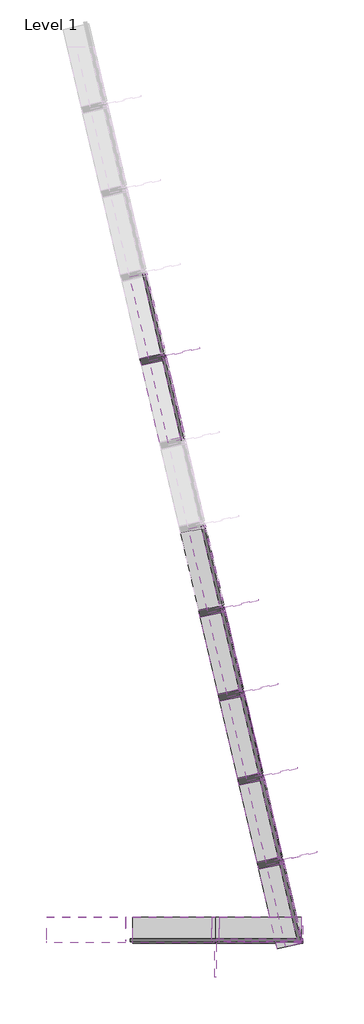
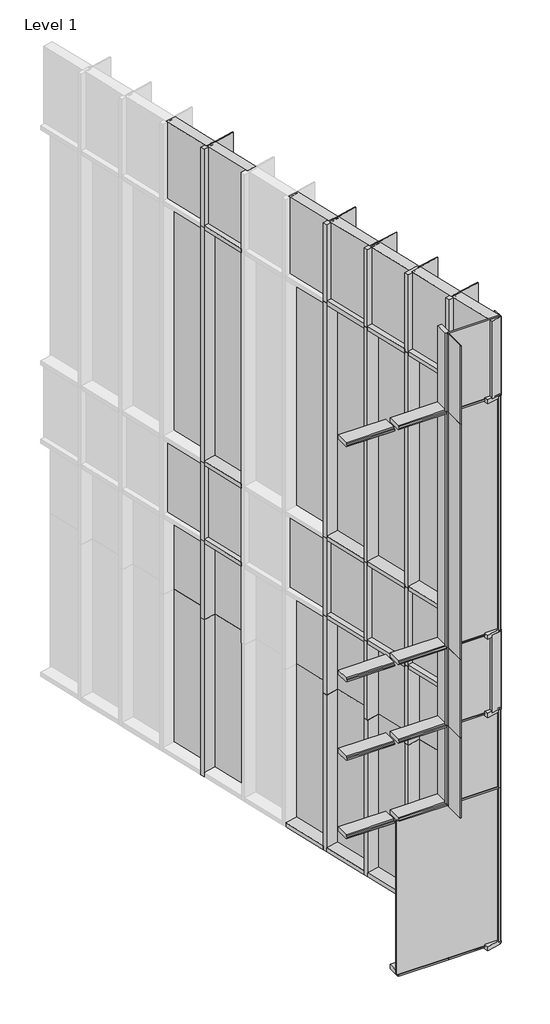
# One storey, part 11 of 15: 63 members, 44 plates.
"""IFC4 building model written with IfcOpenShell, lengths in millimetres."""

import ifcopenshell
import ifcopenshell.guid

model = None  # the IFC model being written
_history = None  # IfcOwnerHistory: only IFC2X3 demands one
_inside = {}  # id of a spatial element -> (the spatial element, [elements in it])
_under = {}  # id of a project, library or spatial element -> (it, [spatial elements below it])
_declared = {}  # id of a project -> (the project, [libraries it declares])
_typed = {}  # id of a type object -> (the type object, [elements of that type])
_made_of = {}  # id of a material, layer set ... -> (it, [elements and type objects made of it])


def new_model(schema):
    """Start an empty IFC model of exactly this schema.

    Asked for "IFC4X3", IfcOpenShell would pick the latest addendum, in which some entities
    have other attributes; the version numbers below select the first issue.
    IFC2X3 requires an IfcOwnerHistory on every rooted entity: one is made here for all.
    """
    global model, _history
    if schema == "IFC4X3":
        model = ifcopenshell.file(schema_version=(4, 3, 0, 0))
    else:
        model = ifcopenshell.file(schema=schema)
    _inside.clear()
    _under.clear()
    _declared.clear()
    _typed.clear()
    _made_of.clear()
    _history = None
    if model.schema == "IFC2X3":
        org = make("IfcOrganization", Name="unknown")
        user = make(
            "IfcPersonAndOrganization",
            ThePerson=make("IfcPerson", FamilyName="unknown"),
            TheOrganization=org,
        )
        app = make(
            "IfcApplication",
            ApplicationDeveloper=org,
            Version="unknown",
            ApplicationFullName="unknown",
            ApplicationIdentifier="unknown",
        )
        _history = make(
            "IfcOwnerHistory",
            OwningUser=user,
            OwningApplication=app,
            ChangeAction="ADDED",
            CreationDate=0,
        )
    return model


def make(cls, **values):
    """One entity of the class cls with the attributes given. An attribute that is None is left unset."""
    return model.create_entity(
        cls, **{name: value for name, value in values.items() if value is not None}
    )


def rooted(cls, **values):
    """An entity with a GlobalId (a new one), such as an element, a storey or a relation."""
    return make(cls, GlobalId=ifcopenshell.guid.new(), OwnerHistory=_history, **values)


def si_unit(unit_type, name, prefix=None):
    """IfcSIUnit, for example si_unit("LENGTHUNIT", "METRE", prefix="MILLI")."""
    return make("IfcSIUnit", UnitType=unit_type, Prefix=prefix, Name=name)


def assignment(units):
    """IfcUnitAssignment: the units of a project."""
    return None if units is None else make("IfcUnitAssignment", Units=units)


def point(xyz):
    """IfcCartesianPoint."""
    return None if xyz is None else make("IfcCartesianPoint", Coordinates=xyz)


def direction(xyz):
    """IfcDirection."""
    return None if xyz is None else make("IfcDirection", DirectionRatios=xyz)


def frame(location, z_axis=None, x_axis=None):
    """IfcAxis2Placement3D, a coordinate frame: its origin and axes. An axis left out is left unset."""
    return make(
        "IfcAxis2Placement3D",
        Location=point(location),
        Axis=direction(z_axis),
        RefDirection=direction(x_axis),
    )


def origin():
    """The frame at (0, 0, 0) with its axes left unset."""
    return frame((0.0, 0.0, 0.0))


def origin_with_axes():
    """The frame at (0, 0, 0) with the z axis (0, 0, 1) and the x axis (1, 0, 0) written out."""
    return frame((0.0, 0.0, 0.0), z_axis=(0.0, 0.0, 1.0), x_axis=(1.0, 0.0, 0.0))


def place(relative_to, where):
    """IfcLocalPlacement: puts the frame where relative to a parent placement (None: the world)."""
    return make(
        "IfcLocalPlacement", PlacementRelTo=relative_to, RelativePlacement=where
    )


def context(
    kind, dimensions, precision=None, world=None, true_north=None, identifier=None
):
    """IfcGeometricRepresentationContext, for example the 3D "Model" context."""
    return make(
        "IfcGeometricRepresentationContext",
        ContextIdentifier=identifier,
        ContextType=kind,
        CoordinateSpaceDimension=dimensions,
        Precision=precision,
        WorldCoordinateSystem=world,
        TrueNorth=true_north,
    )


def project(units=None, contexts=None):
    """IfcProject with its units and contexts."""
    return rooted(
        "IfcProject",
        Name="project",
        RepresentationContexts=contexts,
        UnitsInContext=assignment(units),
    )


def spatial(cls, under=None, at=None, **own):
    """A site, building, storey or space (cls), placed at a placement, below another one or the project."""
    s = rooted(cls, ObjectPlacement=at, **own)
    if under is not None:
        _under.setdefault(under.id(), (under, []))[1].append(s)
    return s


def polyline(points):
    """IfcPolyline through the points."""
    return make("IfcPolyline", Points=[point(p) for p in points])


def outline(outer, holes=None, kind="AREA"):
    """IfcArbitraryClosedProfileDef: a profile drawn as a closed curve; with holes, ...WithVoids."""
    if holes is None:
        return make("IfcArbitraryClosedProfileDef", ProfileType=kind, OuterCurve=outer)
    return make(
        "IfcArbitraryProfileDefWithVoids",
        ProfileType=kind,
        OuterCurve=outer,
        InnerCurves=holes,
    )


def extrude(swept, where, along, depth):
    """IfcExtrudedAreaSolid: the profile swept, set in the frame where, extruded along a direction by depth."""
    return make(
        "IfcExtrudedAreaSolid",
        SweptArea=swept,
        Position=where,
        ExtrudedDirection=direction(along),
        Depth=depth,
    )


def shape(context_of_items, identifier, shape_type, items):
    """IfcShapeRepresentation: the items that make up one representation, for example the "Body"."""
    return make(
        "IfcShapeRepresentation",
        ContextOfItems=context_of_items,
        RepresentationIdentifier=identifier,
        RepresentationType=shape_type,
        Items=items,
    )


def source(mapping_origin, context_of_items, identifier, shape_type, items):
    """IfcRepresentationMap: a shape defined once, which mapped items show again and again."""
    return make(
        "IfcRepresentationMap",
        MappingOrigin=mapping_origin,
        MappedRepresentation=shape(context_of_items, identifier, shape_type, items),
    )


def transform(
    local_origin,
    x_axis=None,
    y_axis=None,
    z_axis=None,
    scale=None,
    scale2=None,
    scale3=None,
    uniform=True,
):
    """IfcCartesianTransformationOperator3D, or its non-uniform kind. x_axis, y_axis, z_axis: its Axis1, 2, 3."""
    if uniform:
        return make(
            "IfcCartesianTransformationOperator3D",
            Axis1=direction(x_axis),
            Axis2=direction(y_axis),
            LocalOrigin=point(local_origin),
            Scale=scale,
            Axis3=direction(z_axis),
        )
    return make(
        "IfcCartesianTransformationOperator3DnonUniform",
        Axis1=direction(x_axis),
        Axis2=direction(y_axis),
        LocalOrigin=point(local_origin),
        Scale=scale,
        Axis3=direction(z_axis),
        Scale2=scale2,
        Scale3=scale3,
    )


def mapped(mapping_source, mapping_target):
    """IfcMappedItem: shows the shape of a source again, moved by a transform."""
    return make(
        "IfcMappedItem", MappingSource=mapping_source, MappingTarget=mapping_target
    )


def made_of(thing, what):
    """Note that an element or type object is made of a material, layer set ...; save() writes the relation."""
    if what is not None:
        _made_of.setdefault(what.id(), (what, []))[1].append(thing)
    return thing


def element(
    cls,
    number,
    at=None,
    inside=None,
    cuts=None,
    type_object=None,
    material=None,
    context=None,
    identifier="Body",
    shape_type=None,
    held_by="IfcProductDefinitionShape",
    body=None,
    shapes=None,
    **own,
):
    """One element of the class cls, such as IfcWall. Its Tag is "e" and its number.

    at: its placement. inside: the storey or other place that contains it. cuts: it is an
    opening in that element (IfcRelVoidsElement). A single representation is given by context,
    identifier, shape_type and body (its items); several are given by shapes. held_by: the class
    of the entity that holds the representations. save() writes the other relations.
    """
    e = rooted(cls, Tag="e%d" % number, ObjectPlacement=at, **own)
    if body is not None:
        shapes = [shape(context, identifier, shape_type, body)]
    if shapes is not None:
        e.Representation = make(held_by, Representations=shapes)
    if inside is not None:
        _inside.setdefault(inside.id(), (inside, []))[1].append(e)
    if cuts is not None:
        rooted(
            "IfcRelVoidsElement", RelatingBuildingElement=cuts, RelatedOpeningElement=e
        )
    if type_object is not None:
        _typed.setdefault(type_object.id(), (type_object, []))[1].append(e)
    return made_of(e, material)


def aggregate(whole, parts):
    """IfcRelAggregates: a whole, such as a stair, and the parts it consists of."""
    return rooted("IfcRelAggregates", RelatingObject=whole, RelatedObjects=parts)


def save(model, path):
    """Write the relations noted so far, then the file.

    IfcRelAggregates (storeys below a building ...), IfcRelContainedInSpatialStructure (elements
    in a storey), IfcRelDefinesByType, IfcRelAssociatesMaterial and IfcRelDeclares: one each for
    every whole, place, type object, material and project.
    """
    for whole, parts in _under.values():
        aggregate(whole, parts)
    for where, things in _inside.values():
        rooted(
            "IfcRelContainedInSpatialStructure",
            RelatedElements=things,
            RelatingStructure=where,
        )
    for kind, things in _typed.values():
        rooted("IfcRelDefinesByType", RelatedObjects=things, RelatingType=kind)
    for what, things in _made_of.values():
        rooted("IfcRelAssociatesMaterial", RelatedObjects=things, RelatingMaterial=what)
    for by, libraries in _declared.values():
        rooted("IfcRelDeclares", RelatingContext=by, RelatedDefinitions=libraries)
    model.write(path)


def rectangular_mullion_2ba164b7(model_context):
    return source(origin(), model_context, "Body", "SweptSolid", [
        extrude(outline(polyline([(31.75, -228.6), (-31.75, -228.6), (-31.75, -26.9875), (-9.525, -26.9875), (-9.525, 0.0), (9.525, 0.0), (9.525, -26.9875), (31.75, -26.9875), (31.75, -228.6)])), frame((0.0, 0.0, -2438.4), z_axis=(0.0, 0.0, 1.0), x_axis=(1.0, 0.0, 0.0)), (0.0, 0.0, 1.0), 2438.4),
    ])


def rectangular_mullion_658b0388(model_context):
    return source(origin(), model_context, "Body", "SweptSolid", [
        extrude(outline(polyline([(33.2101153, -228.6), (-30.2898847, -228.6), (-30.2898847, -26.9875), (-8.0648847, -26.9875), (-8.0648847, 0.0), (-4.8898847, 0.0), (-4.8898847, 304.8), (7.8101153, 304.8), (7.8101153, 0.0), (10.9851153, 0.0), (10.9851153, -26.9875), (33.2101153, -26.9875), (33.2101153, -228.6)])), frame((0.0, 0.0, -3657.6), z_axis=(0.0, 0.0, 1.0), x_axis=(1.0, 0.0, 0.0)), (0.0, 0.0, 1.0), 3657.6),
    ])


def rectangular_mullion_40a1b22a(model_context):
    return source(origin(), model_context, "Body", "SweptSolid", [
        extrude(outline(polyline([(33.2101153, -228.6), (-30.2898847, -228.6), (-30.2898847, -26.9875), (-8.0648847, -26.9875), (-8.0648847, 0.0), (-4.8898847, 0.0), (-4.8898847, 304.8), (7.8101153, 304.8), (7.8101153, 0.0), (10.9851153, 0.0), (10.9851153, -26.9875), (33.2101153, -26.9875), (33.2101153, -228.6)])), frame((0.0, 0.0, -1219.2), z_axis=(0.0, 0.0, 1.0), x_axis=(1.0, 0.0, 0.0)), (0.0, 0.0, 1.0), 1219.2),
    ])


def rectangular_mullion_a5d22d6a(model_context):
    return source(origin(), model_context, "Body", "SweptSolid", [
        extrude(outline(polyline([(31.75, -228.6), (-31.75, -228.6), (-31.75, -26.9875), (-9.525, -26.9875), (-9.525, 0.0), (9.525, 0.0), (9.525, -26.9875), (31.75, -26.9875), (31.75, -228.6)])), frame((0.0, 0.0, -722.1851162), z_axis=(0.0, 0.0, 1.0), x_axis=(1.0, 0.0, 0.0)), (0.0, 0.0, 1.0), 722.1851162),
    ])


def rectangular_mullion_8a8c6ea4(model_context):
    return source(origin(), model_context, "Body", "SweptSolid", [
        extrude(outline(polyline([(31.75, -228.6), (-31.75, -228.6), (-31.75, -26.9875), (-9.525, -26.9875), (-9.525, 0.0), (9.525, 0.0), (9.525, -26.9875), (31.75, -26.9875), (31.75, -228.6)])), frame((0.0, 0.0, -698.5), z_axis=(0.0, 0.0, 1.0), x_axis=(1.0, 0.0, 0.0)), (0.0, 0.0, 1.0), 698.5),
    ])


def rectangular_mullion_fc0bfdc1(model_context):
    return source(origin(), model_context, "Body", "SweptSolid", [
        extrude(outline(polyline([(-63.5, -228.6), (-63.5, -26.9875), (-41.275, -26.9875), (-41.275, 0.0), (-22.225, 0.0), (-22.225, -26.9875), (0.0, -26.9875), (0.0, -228.6), (-63.5, -228.6)])), frame((0.0, 0.0, -698.5), z_axis=(0.0, 0.0, 1.0), x_axis=(1.0, 0.0, 0.0)), (0.0, 0.0, 1.0), 698.5),
    ])


def rectangular_mullion_7ddaa0c3(model_context):
    return source(origin(), model_context, "Body", "SweptSolid", [
        extrude(outline(polyline([(-63.5, -228.6), (-63.5, -26.9875), (-41.275, -26.9875), (-41.275, 0.0), (-22.225, 0.0), (-22.225, -26.9875), (0.0, -26.9875), (0.0, -228.6), (-63.5, -228.6)])), frame((0.0, 0.0, -720.7250009), z_axis=(0.0, 0.0, 1.0), x_axis=(1.0, 0.0, 0.0)), (0.0, 0.0, 1.0), 720.7250009),
    ])


def rectangular_mullion_79c372c8(model_context):
    return source(origin(), model_context, "Body", "SweptSolid", [
        extrude(outline(polyline([(33.2101153, -228.6), (-30.2898847, -228.6), (-30.2898847, -26.9875), (-8.0648847, -26.9875), (-8.0648847, 0.0), (-4.8898847, 0.0), (-4.8898847, 304.8), (7.8101153, 304.8), (7.8101153, 0.0), (10.9851153, 0.0), (10.9851153, -26.9875), (33.2101153, -26.9875), (33.2101153, -228.6)])), frame((0.0, 0.0, -1250.95), z_axis=(0.0, 0.0, 1.0), x_axis=(1.0, 0.0, 0.0)), (0.0, 0.0, 1.0), 1250.95),
    ])


def rectangular_mullion_63ff321b(model_context):
    return source(origin(), model_context, "Body", "SweptSolid", [
        extrude(outline(polyline([(31.75, -228.6), (-31.75, -228.6), (-31.75, -26.9875), (-9.525, -26.9875), (-9.525, 0.0), (9.525, 0.0), (9.525, -26.9875), (31.75, -26.9875), (31.75, -228.6)])), frame((0.0, 0.0, -728.7898847), z_axis=(0.0, 0.0, 1.0), x_axis=(1.0, 0.0, 0.0)), (0.0, 0.0, 1.0), 728.7898847),
    ])


def rectangular_mullion_a8ff40d3(model_context):
    return source(origin(), model_context, "Body", "SweptSolid", [
        extrude(outline(polyline([(31.75, -228.6), (-31.75, -228.6), (-31.75, -26.9875), (-9.525, -26.9875), (-9.525, 0.0), (9.525, 0.0), (9.525, -26.9875), (31.75, -26.9875), (31.75, -228.6)])), frame((0.0, 0.0, -697.0398847), z_axis=(0.0, 0.0, 1.0), x_axis=(1.0, 0.0, 0.0)), (0.0, 0.0, 1.0), 697.0398847),
    ])


def rectangular_mullion_655f1c1d(model_context):
    return source(origin(), model_context, "Body", "SweptSolid", [
        extrude(outline(polyline([(-63.5, -228.6), (-63.5, -26.9875), (-41.275, -26.9875), (-41.275, 0.0), (-22.225, 0.0), (-22.225, -26.9875), (0.0, -26.9875), (0.0, -228.6), (-63.5, -228.6)])), frame((0.0, 0.0, -762.0), z_axis=(0.0, 0.0, 1.0), x_axis=(1.0, 0.0, 0.0)), (0.0, 0.0, 1.0), 762.0),
    ])


def rectangular_mullion_34b15848(model_context):
    return source(origin(), model_context, "Body", "SweptSolid", [
        extrude(outline(polyline([(-63.5, -228.6), (-63.5, -26.9875), (-41.275, -26.9875), (-41.275, 0.0), (-22.225, 0.0), (-22.225, -26.9875), (0.0, -26.9875), (0.0, -228.6), (-63.5, -228.6)])), frame((0.0, 0.0, -730.25), z_axis=(0.0, 0.0, 1.0), x_axis=(1.0, 0.0, 0.0)), (0.0, 0.0, 1.0), 730.25),
    ])


def plate_f5590fc9(model_context):
    return source(origin(), model_context, "Body", "SweptSolid", [
        extrude(outline(polyline([(371.4750004, 12.7), (-371.4750004, 12.7), (-371.4750004, 38.1), (371.4750004, 38.1), (371.4750004, 12.7)])), origin_with_axes(), (0.0, 0.0, 1.0), 2397.125),
    ])


def plate_df1a668c(model_context):
    return source(origin(), model_context, "Body", "SweptSolid", [
        extrude(outline(polyline([(0.0, -757.2375), (0.0, -4.7625), (0.0, 757.2375), (2387.6, 757.2375), (2387.6, -4.7625), (2387.6, -757.2375), (0.0, -757.2375)])), frame((0.0, 12.7, 0.0), z_axis=(0.0, 1.0, 0.0), x_axis=(0.0, 0.0, 1.0)), (0.0, 0.0, 1.0), 25.4),
    ])


def plate_ad487d62(model_context):
    return source(origin(), model_context, "Body", "SweptSolid", [
        extrude(outline(polyline([(0.0, -4.7625), (0.0, 4.7625), (2438.4, 4.7625), (3657.6, 4.7625), (3657.6, -4.7625), (2438.4, -4.7625), (0.0, -4.7625)])), frame((0.0, 12.7, 0.0), z_axis=(0.0, 1.0, 0.0), x_axis=(0.0, 0.0, 1.0)), (0.0, 0.0, 1.0), 25.4),
    ])


def plate_482c9e5e(model_context):
    return source(origin(), model_context, "Body", "SweptSolid", [
        extrude(outline(polyline([(372.2050581, 12.7), (-372.2050581, 12.7), (-372.2050581, 38.1), (372.2050581, 38.1), (372.2050581, 12.7)])), origin_with_axes(), (0.0, 0.0, 1.0), 3638.55),
    ])


def plate_a50c4586(model_context):
    return source(origin(), model_context, "Body", "SweptSolid", [
        extrude(outline(polyline([(371.475, 12.7), (-371.475, 12.7), (-371.475, 38.1), (371.475, 38.1), (371.475, 12.7)])), origin_with_axes(), (0.0, 0.0, 1.0), 3638.55),
    ])


def plate_42350b1f(model_context):
    return source(origin(), model_context, "Body", "SweptSolid", [
        extrude(outline(polyline([(375.5074423, 12.7), (-375.5074423, 12.7), (-375.5074423, 38.1), (375.5074423, 38.1), (375.5074423, 12.7)])), origin_with_axes(), (0.0, 0.0, 1.0), 3638.55),
    ])


def plate_7edb1786(model_context):
    return source(origin(), model_context, "Body", "SweptSolid", [
        extrude(outline(polyline([(4.7625, 12.7), (-4.7625, 12.7), (-4.7625, 38.1), (4.7625, 38.1), (4.7625, 12.7)])), origin_with_axes(), (0.0, 0.0, 1.0), 3657.6),
    ])


def plate_2e70d9cc(model_context):
    return source(origin(), model_context, "Body", "SweptSolid", [
        extrude(outline(polyline([(372.2050581, 12.7), (-372.2050581, 12.7), (-372.2050581, 38.1), (372.2050581, 38.1), (372.2050581, 12.7)])), origin_with_axes(), (0.0, 0.0, 1.0), 1209.675),
    ])


def plate_700f5415(model_context):
    return source(origin(), model_context, "Body", "SweptSolid", [
        extrude(outline(polyline([(371.475, 12.7), (-371.475, 12.7), (-371.475, 38.1), (371.475, 38.1), (371.475, 12.7)])), origin_with_axes(), (0.0, 0.0, 1.0), 1209.675),
    ])


def plate_760c4e42(model_context):
    return source(origin(), model_context, "Body", "SweptSolid", [
        extrude(outline(polyline([(375.5074423, 12.7), (-375.5074423, 12.7), (-375.5074423, 38.1), (375.5074423, 38.1), (375.5074423, 12.7)])), origin_with_axes(), (0.0, 0.0, 1.0), 1200.15),
    ])


def plate_d3d3ff75(model_context):
    return source(origin(), model_context, "Body", "SweptSolid", [
        extrude(outline(polyline([(372.2050577, 0.0), (-372.2050577, 0.0), (-372.2050577, 152.4), (372.2050577, 152.4), (372.2050577, 0.0)])), origin_with_axes(), (0.0, 0.0, 1.0), 1200.15),
    ])


def plate_d4540562(model_context):
    return source(origin(), model_context, "Body", "SweptSolid", [
        extrude(outline(polyline([(371.475, 0.0), (-371.475, 0.0), (-371.475, 152.4), (371.475, 152.4), (371.475, 0.0)])), origin_with_axes(), (0.0, 0.0, 1.0), 1200.15),
    ])


def plate_e0267def(model_context):
    return source(origin(), model_context, "Body", "SweptSolid", [
        extrude(outline(polyline([(4.7625, 0.0), (-4.7625, 0.0), (-4.7625, 152.4), (4.7625, 152.4), (4.7625, 0.0)])), origin_with_axes(), (0.0, 0.0, 1.0), 1219.2),
    ])


def plate_33d166f4(model_context):
    return source(origin(), model_context, "Body", "SweptSolid", [
        extrude(outline(polyline([(372.2050577, 0.0), (-372.2050577, 0.0), (-372.2050577, 152.4), (372.2050577, 152.4), (372.2050577, 0.0)])), origin_with_axes(), (0.0, 0.0, 1.0), 1209.675),
    ])


def plate_23171f9a(model_context):
    return source(origin(), model_context, "Body", "SweptSolid", [
        extrude(outline(polyline([(371.475, 0.0), (-371.475, 0.0), (-371.475, 152.4), (371.475, 152.4), (371.475, 0.0)])), origin_with_axes(), (0.0, 0.0, 1.0), 1209.675),
    ])


def plate_6786e743(model_context):
    return source(origin(), model_context, "Body", "SweptSolid", [
        extrude(outline(polyline([(375.5074423, 12.7), (-375.5074423, 12.7), (-375.5074423, 38.1), (375.5074423, 38.1), (375.5074423, 12.7)])), origin_with_axes(), (0.0, 0.0, 1.0), 1209.675),
    ])


model = new_model("IFC4")

# Units and contexts
model_context = context("Model", 3, world=origin())
ifc_project = project(units=[si_unit("LENGTHUNIT", "METRE", prefix="MILLI")], contexts=[model_context])

# Site, building, storey
site = spatial("IfcSite", under=ifc_project)
building = spatial("IfcBuilding", under=site)
storey = spatial("IfcBuildingStorey", under=building, Name="Level 1", Elevation=0.0)

# Members
placement = place(None, origin())
rectangular_mullion_shape = rectangular_mullion_2ba164b7(model_context)
element("IfcMember", 1, ObjectType="Rectangular Mullion", at=placement, inside=storey, context=model_context, shape_type="MappedRepresentation", body=[
    mapped(rectangular_mullion_shape, transform((252877.0430604, 89080.3921196, 0.0), x_axis=(-0.22666185642740264, 0.9739735123918327, 0.0), y_axis=(0.9739735123918327, 0.22666185642740264, 0.0), z_axis=(0.0, 0.0, -1.0))),
])
element("IfcMember", 2, ObjectType="Rectangular Mullion", at=placement, inside=storey, context=model_context, shape_type="MappedRepresentation", body=[
    mapped(rectangular_mullion_shape, transform((252704.3267258, 89822.559936, 0.0), x_axis=(-0.22666185642740264, 0.9739735123918327, 0.0), y_axis=(0.9739735123918327, 0.22666185642740264, 0.0), z_axis=(0.0, 0.0, -1.0))),
])
element("IfcMember", 3, ObjectType="Rectangular Mullion", at=placement, inside=storey, context=model_context, shape_type="MappedRepresentation", body=[
    mapped(rectangular_mullion_shape, transform((252531.6103912, 90564.7277525, 0.0), x_axis=(-0.22666185642740264, 0.9739735123918327, 0.0), y_axis=(0.9739735123918327, 0.22666185642740264, 0.0), z_axis=(0.0, 0.0, -1.0))),
])
element("IfcMember", 4, ObjectType="Rectangular Mullion", at=placement, inside=storey, context=model_context, shape_type="MappedRepresentation", body=[
    mapped(rectangular_mullion_shape, transform((252358.8940566, 91306.8955689, 0.0), x_axis=(-0.22666185642740264, 0.9739735123918327, 0.0), y_axis=(0.9739735123918327, 0.22666185642740264, 0.0), z_axis=(0.0, 0.0, -1.0))),
])
element("IfcMember", 5, ObjectType="Rectangular Mullion", at=placement, inside=storey, context=model_context, shape_type="MappedRepresentation", body=[
    mapped(rectangular_mullion_shape, transform((251840.7450528, 93533.3990182, 0.0), x_axis=(-0.22666185642740264, 0.9739735123918327, 0.0), y_axis=(0.9739735123918327, 0.22666185642740264, 0.0), z_axis=(0.0, 0.0, -1.0))),
])
rectangular_mullion_2_shape = rectangular_mullion_658b0388(model_context)
element("IfcMember", 6, ObjectType="Rectangular Mullion", at=placement, inside=storey, context=model_context, shape_type="MappedRepresentation", body=[
    mapped(rectangular_mullion_2_shape, transform((252877.0430604, 89080.3921196, 4876.8), x_axis=(-0.22666185642740264, 0.9739735123918327, 0.0), y_axis=(0.9739735123918327, 0.22666185642740264, 0.0), z_axis=(0.0, 0.0, -1.0))),
])
element("IfcMember", 7, ObjectType="Rectangular Mullion", at=placement, inside=storey, context=model_context, shape_type="MappedRepresentation", body=[
    mapped(rectangular_mullion_2_shape, transform((252704.3267258, 89822.559936, 4876.8), x_axis=(-0.22666185642740264, 0.9739735123918327, 0.0), y_axis=(0.9739735123918327, 0.22666185642740264, 0.0), z_axis=(0.0, 0.0, -1.0))),
])
element("IfcMember", 8, ObjectType="Rectangular Mullion", at=placement, inside=storey, context=model_context, shape_type="MappedRepresentation", body=[
    mapped(rectangular_mullion_2_shape, transform((252531.6103912, 90564.7277525, 4876.8), x_axis=(-0.22666185642740264, 0.9739735123918327, 0.0), y_axis=(0.9739735123918327, 0.22666185642740264, 0.0), z_axis=(0.0, 0.0, -1.0))),
])
element("IfcMember", 9, ObjectType="Rectangular Mullion", at=placement, inside=storey, context=model_context, shape_type="MappedRepresentation", body=[
    mapped(rectangular_mullion_2_shape, transform((252358.8940566, 91306.8955689, 4876.8), x_axis=(-0.22666185642740264, 0.9739735123918327, 0.0), y_axis=(0.9739735123918327, 0.22666185642740264, 0.0), z_axis=(0.0, 0.0, -1.0))),
])
element("IfcMember", 10, ObjectType="Rectangular Mullion", at=placement, inside=storey, context=model_context, shape_type="MappedRepresentation", body=[
    mapped(rectangular_mullion_2_shape, transform((251840.7450528, 93533.3990182, 4876.8), x_axis=(-0.22666185642740264, 0.9739735123918327, 0.0), y_axis=(0.9739735123918327, 0.22666185642740264, 0.0), z_axis=(0.0, 0.0, -1.0))),
])
element("IfcMember", 11, ObjectType="Rectangular Mullion", at=placement, inside=storey, context=model_context, shape_type="MappedRepresentation", body=[
    mapped(rectangular_mullion_2_shape, transform((252275.8928019, 88347.5014, 4876.8), x_axis=(1.0, 0.0, 0.0), y_axis=(0.0, -1.0, 0.0), z_axis=(0.0, 0.0, -1.0))),
])
rectangular_mullion_3_shape = rectangular_mullion_40a1b22a(model_context)
element("IfcMember", 12, ObjectType="Rectangular Mullion", at=placement, inside=storey, context=model_context, shape_type="MappedRepresentation", body=[
    mapped(rectangular_mullion_3_shape, transform((252275.8928019, 88347.5014, 3657.6), x_axis=(1.0, 0.0, 0.0), y_axis=(0.0, -1.0, 0.0), z_axis=(0.0, 0.0, -1.0))),
])
element("IfcMember", 13, ObjectType="Rectangular Mullion", at=placement, inside=storey, context=model_context, shape_type="MappedRepresentation", body=[
    mapped(rectangular_mullion_3_shape, transform((252877.0430604, 89080.3921196, 3657.6), x_axis=(-0.22666185642740264, 0.9739735123918327, 0.0), y_axis=(0.9739735123918327, 0.22666185642740264, 0.0), z_axis=(0.0, 0.0, -1.0))),
])
element("IfcMember", 14, ObjectType="Rectangular Mullion", at=placement, inside=storey, context=model_context, shape_type="MappedRepresentation", body=[
    mapped(rectangular_mullion_3_shape, transform((252704.3267258, 89822.559936, 3657.6), x_axis=(-0.22666185642740264, 0.9739735123918327, 0.0), y_axis=(0.9739735123918327, 0.22666185642740264, 0.0), z_axis=(0.0, 0.0, -1.0))),
])
element("IfcMember", 15, ObjectType="Rectangular Mullion", at=placement, inside=storey, context=model_context, shape_type="MappedRepresentation", body=[
    mapped(rectangular_mullion_3_shape, transform((252531.6103912, 90564.7277525, 3657.6), x_axis=(-0.22666185642740264, 0.9739735123918327, 0.0), y_axis=(0.9739735123918327, 0.22666185642740264, 0.0), z_axis=(0.0, 0.0, -1.0))),
])
element("IfcMember", 16, ObjectType="Rectangular Mullion", at=placement, inside=storey, context=model_context, shape_type="MappedRepresentation", body=[
    mapped(rectangular_mullion_3_shape, transform((252358.8940566, 91306.8955689, 3657.6), x_axis=(-0.22666185642740264, 0.9739735123918327, 0.0), y_axis=(0.9739735123918327, 0.22666185642740264, 0.0), z_axis=(0.0, 0.0, -1.0))),
])
element("IfcMember", 17, ObjectType="Rectangular Mullion", at=placement, inside=storey, context=model_context, shape_type="MappedRepresentation", body=[
    mapped(rectangular_mullion_3_shape, transform((251840.7450528, 93533.3990182, 3657.6), x_axis=(-0.22666185642740264, 0.9739735123918327, 0.0), y_axis=(0.9739735123918327, 0.22666185642740264, 0.0), z_axis=(0.0, 0.0, -1.0))),
])
element("IfcMember", 18, ObjectType="Rectangular Mullion", at=placement, inside=storey, context=model_context, shape_type="MappedRepresentation", body=[
    mapped(rectangular_mullion_3_shape, transform((252275.8928019, 88347.5014, 8534.4), x_axis=(1.0, 0.0, 0.0), y_axis=(0.0, -1.0, 0.0), z_axis=(0.0, 0.0, -1.0))),
])
element("IfcMember", 19, ObjectType="Rectangular Mullion", at=placement, inside=storey, context=model_context, shape_type="MappedRepresentation", body=[
    mapped(rectangular_mullion_3_shape, transform((252877.0430604, 89080.3921196, 8534.4), x_axis=(-0.22666185642740264, 0.9739735123918327, 0.0), y_axis=(0.9739735123918327, 0.22666185642740264, 0.0), z_axis=(0.0, 0.0, -1.0))),
])
element("IfcMember", 20, ObjectType="Rectangular Mullion", at=placement, inside=storey, context=model_context, shape_type="MappedRepresentation", body=[
    mapped(rectangular_mullion_3_shape, transform((252704.3267258, 89822.559936, 8534.4), x_axis=(-0.22666185642740264, 0.9739735123918327, 0.0), y_axis=(0.9739735123918327, 0.22666185642740264, 0.0), z_axis=(0.0, 0.0, -1.0))),
])
element("IfcMember", 21, ObjectType="Rectangular Mullion", at=placement, inside=storey, context=model_context, shape_type="MappedRepresentation", body=[
    mapped(rectangular_mullion_3_shape, transform((252531.6103912, 90564.7277525, 8534.4), x_axis=(-0.22666185642740264, 0.9739735123918327, 0.0), y_axis=(0.9739735123918327, 0.22666185642740264, 0.0), z_axis=(0.0, 0.0, -1.0))),
])
element("IfcMember", 22, ObjectType="Rectangular Mullion", at=placement, inside=storey, context=model_context, shape_type="MappedRepresentation", body=[
    mapped(rectangular_mullion_3_shape, transform((252358.8940566, 91306.8955689, 8534.4), x_axis=(-0.22666185642740264, 0.9739735123918327, 0.0), y_axis=(0.9739735123918327, 0.22666185642740264, 0.0), z_axis=(0.0, 0.0, -1.0))),
])
element("IfcMember", 23, ObjectType="Rectangular Mullion", at=placement, inside=storey, context=model_context, shape_type="MappedRepresentation", body=[
    mapped(rectangular_mullion_3_shape, transform((251840.7450528, 93533.3990182, 8534.4), x_axis=(-0.22666185642740264, 0.9739735123918327, 0.0), y_axis=(0.9739735123918327, 0.22666185642740264, 0.0), z_axis=(0.0, 0.0, -1.0))),
])
element("IfcMember", 24, ObjectType="Rectangular Mullion", at=placement, inside=storey, context=model_context, shape_type="MappedRepresentation", body=[
    mapped(rectangular_mullion_3_shape, transform((252877.0430604, 89080.3921196, 2438.4), x_axis=(-0.22666185642740264, 0.9739735123918327, 0.0), y_axis=(0.9739735123918327, 0.22666185642740264, 0.0), z_axis=(0.0, 0.0, -1.0))),
])
element("IfcMember", 25, ObjectType="Rectangular Mullion", at=placement, inside=storey, context=model_context, shape_type="MappedRepresentation", body=[
    mapped(rectangular_mullion_3_shape, transform((252704.3267258, 89822.559936, 2438.4), x_axis=(-0.22666185642740264, 0.9739735123918327, 0.0), y_axis=(0.9739735123918327, 0.22666185642740264, 0.0), z_axis=(0.0, 0.0, -1.0))),
])
element("IfcMember", 26, ObjectType="Rectangular Mullion", at=placement, inside=storey, context=model_context, shape_type="MappedRepresentation", body=[
    mapped(rectangular_mullion_3_shape, transform((252531.6103912, 90564.7277525, 2438.4), x_axis=(-0.22666185642740264, 0.9739735123918327, 0.0), y_axis=(0.9739735123918327, 0.22666185642740264, 0.0), z_axis=(0.0, 0.0, -1.0))),
])
element("IfcMember", 27, ObjectType="Rectangular Mullion", at=placement, inside=storey, context=model_context, shape_type="MappedRepresentation", body=[
    mapped(rectangular_mullion_3_shape, transform((252358.8940566, 91306.8955689, 2438.4), x_axis=(-0.22666185642740264, 0.9739735123918327, 0.0), y_axis=(0.9739735123918327, 0.22666185642740264, 0.0), z_axis=(0.0, 0.0, -1.0))),
])
element("IfcMember", 28, ObjectType="Rectangular Mullion", at=placement, inside=storey, context=model_context, shape_type="MappedRepresentation", body=[
    mapped(rectangular_mullion_3_shape, transform((251840.7450528, 93533.3990182, 2438.4), x_axis=(-0.22666185642740264, 0.9739735123918327, 0.0), y_axis=(0.9739735123918327, 0.22666185642740264, 0.0), z_axis=(0.0, 0.0, -1.0))),
])
rectangular_mullion_4_shape = rectangular_mullion_a5d22d6a(model_context)
element("IfcMember", 29, ObjectType="Rectangular Mullion", at=placement, inside=storey, context=model_context, shape_type="MappedRepresentation", body=[
    mapped(rectangular_mullion_4_shape, transform((252883.9086219, 89050.8905742, 4876.8), x_axis=(0.0, 0.0, 1.0), y_axis=(0.9739735123918308, 0.22666185642741093, 0.0), z_axis=(-0.2266618564274109, 0.9739735123918307, 0.0))),
])
element("IfcMember", 30, ObjectType="Rectangular Mullion", at=placement, inside=storey, context=model_context, shape_type="MappedRepresentation", body=[
    mapped(rectangular_mullion_4_shape, transform((252883.9086219, 89050.8905742, 3657.6), x_axis=(0.0, 0.0, 1.0), y_axis=(0.9739735123918308, 0.22666185642741093, 0.0), z_axis=(-0.2266618564274109, 0.9739735123918307, 0.0))),
])
element("IfcMember", 31, ObjectType="Rectangular Mullion", at=placement, inside=storey, context=model_context, shape_type="MappedRepresentation", body=[
    mapped(rectangular_mullion_4_shape, transform((252883.9086219, 89050.8905742, 8534.4), x_axis=(0.0, 0.0, 1.0), y_axis=(0.9739735123918308, 0.22666185642741093, 0.0), z_axis=(-0.2266618564274109, 0.9739735123918307, 0.0))),
])
rectangular_mullion_5_shape = rectangular_mullion_8a8c6ea4(model_context)
element("IfcMember", 32, ObjectType="Rectangular Mullion", at=placement, inside=storey, context=model_context, shape_type="MappedRepresentation", body=[
    mapped(rectangular_mullion_5_shape, transform((252711.1922873, 89793.0583906, 4876.8), x_axis=(0.0, 0.0, 1.0), y_axis=(0.9739735123918374, 0.22666185642738282, 0.0), z_axis=(-0.22666185642738282, 0.9739735123918374, 0.0))),
])
element("IfcMember", 33, ObjectType="Rectangular Mullion", at=placement, inside=storey, context=model_context, shape_type="MappedRepresentation", body=[
    mapped(rectangular_mullion_5_shape, transform((252538.4759527, 90535.2262071, 4876.8), x_axis=(0.0, 0.0, 1.0), y_axis=(0.9739735123918274, 0.22666185642742595, 0.0), z_axis=(-0.22666185642742595, 0.9739735123918274, 0.0))),
])
element("IfcMember", 34, ObjectType="Rectangular Mullion", at=placement, inside=storey, context=model_context, shape_type="MappedRepresentation", body=[
    mapped(rectangular_mullion_5_shape, transform((252365.7596181, 91277.3940235, 4876.8), x_axis=(0.0, 0.0, 1.0), y_axis=(0.9739735123918374, 0.22666185642738282, 0.0), z_axis=(-0.22666185642738282, 0.9739735123918374, 0.0))),
])
element("IfcMember", 35, ObjectType="Rectangular Mullion", at=placement, inside=storey, context=model_context, shape_type="MappedRepresentation", body=[
    mapped(rectangular_mullion_5_shape, transform((251847.6106143, 93503.8974729, 4876.8), x_axis=(0.0, 0.0, 1.0), y_axis=(0.9739735123918274, 0.22666185642742595, 0.0), z_axis=(-0.22666185642742595, 0.9739735123918274, 0.0))),
])
element("IfcMember", 36, ObjectType="Rectangular Mullion", at=placement, inside=storey, context=model_context, shape_type="MappedRepresentation", body=[
    mapped(rectangular_mullion_5_shape, transform((252711.1922873, 89793.0583906, 3657.6), x_axis=(0.0, 0.0, 1.0), y_axis=(0.9739735123918374, 0.22666185642738282, 0.0), z_axis=(-0.22666185642738282, 0.9739735123918374, 0.0))),
])
element("IfcMember", 37, ObjectType="Rectangular Mullion", at=placement, inside=storey, context=model_context, shape_type="MappedRepresentation", body=[
    mapped(rectangular_mullion_5_shape, transform((252538.4759527, 90535.2262071, 3657.6), x_axis=(0.0, 0.0, 1.0), y_axis=(0.9739735123918274, 0.22666185642742595, 0.0), z_axis=(-0.22666185642742595, 0.9739735123918274, 0.0))),
])
element("IfcMember", 38, ObjectType="Rectangular Mullion", at=placement, inside=storey, context=model_context, shape_type="MappedRepresentation", body=[
    mapped(rectangular_mullion_5_shape, transform((252365.7596181, 91277.3940235, 3657.6), x_axis=(0.0, 0.0, 1.0), y_axis=(0.9739735123918374, 0.22666185642738282, 0.0), z_axis=(-0.22666185642738282, 0.9739735123918374, 0.0))),
])
element("IfcMember", 39, ObjectType="Rectangular Mullion", at=placement, inside=storey, context=model_context, shape_type="MappedRepresentation", body=[
    mapped(rectangular_mullion_5_shape, transform((251847.6106143, 93503.8974729, 3657.6), x_axis=(0.0, 0.0, 1.0), y_axis=(0.9739735123918274, 0.22666185642742595, 0.0), z_axis=(-0.22666185642742595, 0.9739735123918274, 0.0))),
])
element("IfcMember", 40, ObjectType="Rectangular Mullion", at=placement, inside=storey, context=model_context, shape_type="MappedRepresentation", body=[
    mapped(rectangular_mullion_5_shape, transform((252711.1922873, 89793.0583906, 8534.4), x_axis=(0.0, 0.0, 1.0), y_axis=(0.9739735123918374, 0.22666185642738282, 0.0), z_axis=(-0.22666185642738282, 0.9739735123918374, 0.0))),
])
element("IfcMember", 41, ObjectType="Rectangular Mullion", at=placement, inside=storey, context=model_context, shape_type="MappedRepresentation", body=[
    mapped(rectangular_mullion_5_shape, transform((252538.4759527, 90535.2262071, 8534.4), x_axis=(0.0, 0.0, 1.0), y_axis=(0.9739735123918274, 0.22666185642742595, 0.0), z_axis=(-0.22666185642742595, 0.9739735123918274, 0.0))),
])
element("IfcMember", 42, ObjectType="Rectangular Mullion", at=placement, inside=storey, context=model_context, shape_type="MappedRepresentation", body=[
    mapped(rectangular_mullion_5_shape, transform((252365.7596181, 91277.3940235, 8534.4), x_axis=(0.0, 0.0, 1.0), y_axis=(0.9739735123918374, 0.22666185642738282, 0.0), z_axis=(-0.22666185642738282, 0.9739735123918374, 0.0))),
])
element("IfcMember", 43, ObjectType="Rectangular Mullion", at=placement, inside=storey, context=model_context, shape_type="MappedRepresentation", body=[
    mapped(rectangular_mullion_5_shape, transform((251847.6106143, 93503.8974729, 8534.4), x_axis=(0.0, 0.0, 1.0), y_axis=(0.9739735123918285, 0.22666185642742093, 0.0), z_axis=(-0.22666185642742093, 0.9739735123918285, 0.0))),
])
element("IfcMember", 44, ObjectType="Rectangular Mullion", at=placement, inside=storey, context=model_context, shape_type="MappedRepresentation", body=[
    mapped(rectangular_mullion_5_shape, transform((251483.6029172, 88347.5014, 4876.8), x_axis=(0.0, 0.0, 1.0), y_axis=(0.0, -1.0, 0.0), z_axis=(1.0, 0.0, 0.0))),
])
element("IfcMember", 45, ObjectType="Rectangular Mullion", at=placement, inside=storey, context=model_context, shape_type="MappedRepresentation", body=[
    mapped(rectangular_mullion_5_shape, transform((252245.6029172, 88347.5014, 4876.8), x_axis=(0.0, 0.0, 1.0), y_axis=(0.0, -1.0, 0.0), z_axis=(1.0, 0.0, 0.0))),
])
element("IfcMember", 46, ObjectType="Rectangular Mullion", at=placement, inside=storey, context=model_context, shape_type="MappedRepresentation", body=[
    mapped(rectangular_mullion_5_shape, transform((251483.6029172, 88347.5014, 3657.6), x_axis=(0.0, 0.0, 1.0), y_axis=(0.0, -1.0, 0.0), z_axis=(1.0, 0.0, 0.0))),
])
element("IfcMember", 47, ObjectType="Rectangular Mullion", at=placement, inside=storey, context=model_context, shape_type="MappedRepresentation", body=[
    mapped(rectangular_mullion_5_shape, transform((252245.6029172, 88347.5014, 3657.6), x_axis=(0.0, 0.0, 1.0), y_axis=(0.0, -1.0, 0.0), z_axis=(1.0, 0.0, 0.0))),
])
element("IfcMember", 48, ObjectType="Rectangular Mullion", at=placement, inside=storey, context=model_context, shape_type="MappedRepresentation", body=[
    mapped(rectangular_mullion_5_shape, transform((251483.6029172, 88347.5014, 8534.4), x_axis=(0.0, 0.0, 1.0), y_axis=(0.0, -1.0, 0.0), z_axis=(1.0, 0.0, 0.0))),
])
element("IfcMember", 49, ObjectType="Rectangular Mullion", at=placement, inside=storey, context=model_context, shape_type="MappedRepresentation", body=[
    mapped(rectangular_mullion_5_shape, transform((252245.6029172, 88347.5014, 8534.4), x_axis=(0.0, 0.0, 1.0), y_axis=(0.0, -1.0, 0.0), z_axis=(1.0, 0.0, 0.0))),
])
element("IfcMember", 50, ObjectType="Rectangular Mullion", at=placement, inside=storey, context=model_context, shape_type="MappedRepresentation", body=[
    mapped(rectangular_mullion_5_shape, transform((252245.6029172, 88347.5014, 2438.4), x_axis=(0.0, 0.0, 1.0), y_axis=(0.0, -1.0, 0.0), z_axis=(1.0, 0.0, 0.0))),
])
rectangular_mullion_6_shape = rectangular_mullion_fc0bfdc1(model_context)
element("IfcMember", 51, ObjectType="Rectangular Mullion", at=placement, inside=storey, context=model_context, shape_type="MappedRepresentation", body=[
    mapped(rectangular_mullion_6_shape, transform((252351.6975427, 91337.8192279, 0.0), x_axis=(0.0, 0.0, -1.0), y_axis=(0.9739735123918274, 0.22666185642742595, 0.0), z_axis=(0.22666185642742595, -0.9739735123918274, 0.0))),
])
element("IfcMember", 52, ObjectType="Rectangular Mullion", at=placement, inside=storey, context=model_context, shape_type="MappedRepresentation", body=[
    mapped(rectangular_mullion_6_shape, transform((252524.4138773, 90595.6514115, 0.0), x_axis=(0.0, 0.0, -1.0), y_axis=(0.9739735123918374, 0.22666185642738282, 0.0), z_axis=(0.22666185642738282, -0.9739735123918374, 0.0))),
])
element("IfcMember", 53, ObjectType="Rectangular Mullion", at=placement, inside=storey, context=model_context, shape_type="MappedRepresentation", body=[
    mapped(rectangular_mullion_6_shape, transform((252697.1302119, 89853.483595, 0.0), x_axis=(0.0, 0.0, -1.0), y_axis=(0.9739735123918274, 0.22666185642742595, 0.0), z_axis=(0.22666185642742595, -0.9739735123918274, 0.0))),
])
element("IfcMember", 54, ObjectType="Rectangular Mullion", at=placement, inside=storey, context=model_context, shape_type="MappedRepresentation", body=[
    mapped(rectangular_mullion_6_shape, transform((252869.8465465, 89111.3157786, 0.0), x_axis=(0.0, 0.0, -1.0), y_axis=(0.9739735123918374, 0.22666185642738282, 0.0), z_axis=(0.22666185642738282, -0.9739735123918374, 0.0))),
])
rectangular_mullion_7_shape = rectangular_mullion_7ddaa0c3(model_context)
element("IfcMember", 55, ObjectType="Rectangular Mullion", at=placement, inside=storey, context=model_context, shape_type="MappedRepresentation", body=[
    mapped(rectangular_mullion_7_shape, transform((253047.600441, 88347.5014, 0.0), x_axis=(0.0, 0.0, -1.0), y_axis=(0.9739735123918308, 0.22666185642741093, 0.0), z_axis=(0.2266618564274109, -0.9739735123918307, 0.0))),
])
rectangular_mullion_8_shape = rectangular_mullion_79c372c8(model_context)
element("IfcMember", 56, ObjectType="Rectangular Mullion", at=placement, inside=storey, context=model_context, shape_type="MappedRepresentation", body=[
    mapped(rectangular_mullion_8_shape, transform((252275.8928019, 88347.5014, 2406.65), x_axis=(1.0, 0.0, 0.0), y_axis=(0.0, -1.0, 0.0), z_axis=(0.0, 0.0, -1.0))),
])
rectangular_mullion_9_shape = rectangular_mullion_63ff321b(model_context)
element("IfcMember", 57, ObjectType="Rectangular Mullion", at=placement, inside=storey, context=model_context, shape_type="MappedRepresentation", body=[
    mapped(rectangular_mullion_9_shape, transform((253037.8928019, 88347.5014, 4876.8), x_axis=(0.0, 0.0, 1.0), y_axis=(0.0, -1.0, 0.0), z_axis=(1.0, 0.0, 0.0))),
])
element("IfcMember", 58, ObjectType="Rectangular Mullion", at=placement, inside=storey, context=model_context, shape_type="MappedRepresentation", body=[
    mapped(rectangular_mullion_9_shape, transform((253037.8928019, 88347.5014, 3657.6), x_axis=(0.0, 0.0, 1.0), y_axis=(0.0, -1.0, 0.0), z_axis=(1.0, 0.0, 0.0))),
])
element("IfcMember", 59, ObjectType="Rectangular Mullion", at=placement, inside=storey, context=model_context, shape_type="MappedRepresentation", body=[
    mapped(rectangular_mullion_9_shape, transform((253037.8928019, 88347.5014, 8534.4), x_axis=(0.0, 0.0, 1.0), y_axis=(0.0, -1.0, 0.0), z_axis=(1.0, 0.0, 0.0))),
])
element("IfcMember", 60, ObjectType="Rectangular Mullion", at=placement, inside=storey, context=model_context, shape_type="MappedRepresentation", body=[
    mapped(rectangular_mullion_9_shape, transform((253037.8928019, 88347.5014, 2438.4), x_axis=(0.0, 0.0, 1.0), y_axis=(0.0, -1.0, 0.0), z_axis=(1.0, 0.0, 0.0))),
])
rectangular_mullion_10_shape = rectangular_mullion_a8ff40d3(model_context)
element("IfcMember", 61, ObjectType="Rectangular Mullion", at=placement, inside=storey, context=model_context, shape_type="MappedRepresentation", body=[
    mapped(rectangular_mullion_10_shape, transform((251482.1428019, 88347.5014, 2438.4), x_axis=(0.0, 0.0, 1.0), y_axis=(0.0, -1.0, 0.0), z_axis=(1.0, 0.0, 0.0))),
])
rectangular_mullion_11_shape = rectangular_mullion_655f1c1d(model_context)
element("IfcMember", 62, ObjectType="Rectangular Mullion", at=placement, inside=storey, context=model_context, shape_type="MappedRepresentation", body=[
    mapped(rectangular_mullion_11_shape, transform((252275.8928019, 88347.5014, 0.0), x_axis=(0.0, 0.0, -1.0), y_axis=(0.0, -1.0, 0.0), z_axis=(-1.0, 0.0, 0.0))),
])
rectangular_mullion_12_shape = rectangular_mullion_34b15848(model_context)
element("IfcMember", 63, ObjectType="Rectangular Mullion", at=placement, inside=storey, context=model_context, shape_type="MappedRepresentation", body=[
    mapped(rectangular_mullion_12_shape, transform((251545.6428019, 88347.5014, 0.0), x_axis=(0.0, 0.0, -1.0), y_axis=(0.0, -1.0, 0.0), z_axis=(-1.0, 0.0, 0.0))),
])

# Plates
plate_shape = plate_f5590fc9(model_context)
element("IfcPlate", 64, ObjectType="System Panel : 1\" Glass - Exterior - GL-1", at=placement, inside=storey, context=model_context, shape_type="MappedRepresentation", body=[
    mapped(plate_shape, transform((252963.4012278, 88709.3082109, 41.275), x_axis=(-0.22666185642740264, 0.9739735123918327, 0.0), y_axis=(-0.9739735123918327, -0.22666185642740264, 0.0), z_axis=(0.0, 0.0, 1.0))),
])
element("IfcPlate", 65, ObjectType="System Panel : 1\" Glass - Exterior - GL-1", at=placement, inside=storey, context=model_context, shape_type="MappedRepresentation", body=[
    mapped(plate_shape, transform((252790.6848931, 89451.4760278, 41.275), x_axis=(-0.22666185642740264, 0.9739735123918327, 0.0), y_axis=(-0.9739735123918327, -0.22666185642740264, 0.0), z_axis=(0.0, 0.0, 1.0))),
])
element("IfcPlate", 66, ObjectType="System Panel : 1\" Glass - Exterior - GL-1", at=placement, inside=storey, context=model_context, shape_type="MappedRepresentation", body=[
    mapped(plate_shape, transform((252617.9685585, 90193.6438442, 41.275), x_axis=(-0.22666185642740264, 0.9739735123918327, 0.0), y_axis=(-0.9739735123918327, -0.22666185642740264, 0.0), z_axis=(0.0, 0.0, 1.0))),
])
element("IfcPlate", 67, ObjectType="System Panel : 1\" Glass - Exterior - GL-1", at=placement, inside=storey, context=model_context, shape_type="MappedRepresentation", body=[
    mapped(plate_shape, transform((252445.2522239, 90935.8116607, 41.275), x_axis=(-0.22666185642740264, 0.9739735123918327, 0.0), y_axis=(-0.9739735123918327, -0.22666185642740264, 0.0), z_axis=(0.0, 0.0, 1.0))),
])
element("IfcPlate", 68, ObjectType="System Panel : 1\" Glass - Exterior - GL-1", at=placement, inside=storey, context=model_context, shape_type="MappedRepresentation", body=[
    mapped(plate_shape, transform((252272.5358893, 91677.9794771, 41.275), x_axis=(-0.22666185642740264, 0.9739735123918327, 0.0), y_axis=(-0.9739735123918327, -0.22666185642740264, 0.0), z_axis=(0.0, 0.0, 1.0))),
])
element("IfcPlate", 69, ObjectType="System Panel : 1\" Glass - Exterior - GL-1", at=placement, inside=storey, context=model_context, shape_type="MappedRepresentation", body=[
    mapped(plate_shape, transform((251927.1032201, 93162.31511, 41.275), x_axis=(-0.22666185642740264, 0.9739735123918327, 0.0), y_axis=(-0.9739735123918327, -0.22666185642740264, 0.0), z_axis=(0.0, 0.0, 1.0))),
])
element("IfcPlate", 70, ObjectType="System Panel : 1\" Glass - Exterior - GL-1", at=placement, inside=storey, context=model_context, shape_type="MappedRepresentation", body=[
    mapped(plate_shape, transform((251754.3868855, 93904.4829264, 41.275), x_axis=(-0.22666185642740264, 0.9739735123918327, 0.0), y_axis=(-0.9739735123918327, -0.22666185642740264, 0.0), z_axis=(0.0, 0.0, 1.0))),
])
plate_2_shape = plate_df1a668c(model_context)
element("IfcPlate", 71, ObjectType="System Panel : 1\" Glass - Exterior - GL-1", at=placement, inside=storey, context=model_context, shape_type="MappedRepresentation", body=[
    mapped(plate_2_shape, transform((252280.6553019, 88347.5014, 41.275), x_axis=(1.0, 0.0, 0.0), y_axis=(0.0, 1.0, 0.0), z_axis=(0.0, 0.0, 1.0))),
])
plate_3_shape = plate_ad487d62(model_context)
element("IfcPlate", 72, ObjectType="System Panel : 1\" Glass - Exterior - GL-1", at=placement, inside=storey, context=model_context, shape_type="MappedRepresentation", body=[
    mapped(plate_3_shape, transform((253042.6553019, 88347.5014, 0.0), x_axis=(1.0, 0.0, 0.0), y_axis=(0.0, 1.0, 0.0), z_axis=(0.0, 0.0, 1.0))),
])
plate_4_shape = plate_482c9e5e(model_context)
element("IfcPlate", 73, ObjectType="System Panel : 1\" Glass - Exterior - GL-1", at=placement, inside=storey, context=model_context, shape_type="MappedRepresentation", body=[
    mapped(plate_4_shape, transform((252963.2357516, 88710.0192678, 4886.325), x_axis=(-0.22666185642740264, 0.9739735123918327, 0.0), y_axis=(-0.9739735123918327, -0.22666185642740264, 0.0), z_axis=(0.0, 0.0, 1.0))),
])
plate_5_shape = plate_a50c4586(model_context)
element("IfcPlate", 74, ObjectType="System Panel : 1\" Glass - Exterior - GL-1", at=placement, inside=storey, context=model_context, shape_type="MappedRepresentation", body=[
    mapped(plate_5_shape, transform((252790.3539406, 89452.8981414, 4886.325), x_axis=(-0.22666185642740264, 0.9739735123918327, 0.0), y_axis=(-0.9739735123918327, -0.22666185642740264, 0.0), z_axis=(0.0, 0.0, 1.0))),
])
element("IfcPlate", 75, ObjectType="System Panel : 1\" Glass - Exterior - GL-1", at=placement, inside=storey, context=model_context, shape_type="MappedRepresentation", body=[
    mapped(plate_5_shape, transform((252617.6376061, 90195.0659579, 4886.325), x_axis=(-0.22666185642740264, 0.9739735123918327, 0.0), y_axis=(-0.9739735123918327, -0.22666185642740264, 0.0), z_axis=(0.0, 0.0, 1.0))),
])
element("IfcPlate", 76, ObjectType="System Panel : 1\" Glass - Exterior - GL-1", at=placement, inside=storey, context=model_context, shape_type="MappedRepresentation", body=[
    mapped(plate_5_shape, transform((252444.9212715, 90937.2337743, 4886.325), x_axis=(-0.22666185642740264, 0.9739735123918327, 0.0), y_axis=(-0.9739735123918327, -0.22666185642740264, 0.0), z_axis=(0.0, 0.0, 1.0))),
])
element("IfcPlate", 77, ObjectType="System Panel : 1\" Glass - Exterior - GL-1", at=placement, inside=storey, context=model_context, shape_type="MappedRepresentation", body=[
    mapped(plate_5_shape, transform((252272.2049369, 91679.4015908, 4886.325), x_axis=(-0.22666185642740264, 0.9739735123918327, 0.0), y_axis=(-0.9739735123918327, -0.22666185642740264, 0.0), z_axis=(0.0, 0.0, 1.0))),
])
element("IfcPlate", 78, ObjectType="System Panel : 1\" Glass - Exterior - GL-1", at=placement, inside=storey, context=model_context, shape_type="MappedRepresentation", body=[
    mapped(plate_5_shape, transform((251926.7722677, 93163.7372237, 4886.325), x_axis=(-0.22666185642740264, 0.9739735123918327, 0.0), y_axis=(-0.9739735123918327, -0.22666185642740264, 0.0), z_axis=(0.0, 0.0, 1.0))),
])
element("IfcPlate", 79, ObjectType="System Panel : 1\" Glass - Exterior - GL-1", at=placement, inside=storey, context=model_context, shape_type="MappedRepresentation", body=[
    mapped(plate_5_shape, transform((251754.0559331, 93905.9050401, 4886.325), x_axis=(-0.22666185642740264, 0.9739735123918327, 0.0), y_axis=(-0.9739735123918327, -0.22666185642740264, 0.0), z_axis=(0.0, 0.0, 1.0))),
])
plate_6_shape = plate_42350b1f(model_context)
element("IfcPlate", 80, ObjectType="System Panel : 1\" Glass - Exterior - GL-1", at=placement, inside=storey, context=model_context, shape_type="MappedRepresentation", body=[
    mapped(plate_6_shape, transform((252662.3853595, 88347.5014, 4886.325), x_axis=(1.0, 0.0, 0.0), y_axis=(0.0, 1.0, 0.0), z_axis=(0.0, 0.0, 1.0))),
])
plate_7_shape = plate_7edb1786(model_context)
element("IfcPlate", 81, ObjectType="System Panel : 1\" Glass - Exterior - GL-1", at=placement, inside=storey, context=model_context, shape_type="MappedRepresentation", body=[
    mapped(plate_7_shape, transform((253042.6553019, 88347.5014, 4876.8), x_axis=(1.0, 0.0, 0.0), y_axis=(0.0, 1.0, 0.0), z_axis=(0.0, 0.0, 1.0))),
])
plate_8_shape = plate_2e70d9cc(model_context)
element("IfcPlate", 82, ObjectType="System Panel : 1\" Glass - Exterior - GL-1", at=placement, inside=storey, context=model_context, shape_type="MappedRepresentation", body=[
    mapped(plate_8_shape, transform((252963.2357516, 88710.0192678, 2438.4), x_axis=(-0.22666185642740264, 0.9739735123918327, 0.0), y_axis=(-0.9739735123918327, -0.22666185642740264, 0.0), z_axis=(0.0, 0.0, 1.0))),
])
plate_9_shape = plate_700f5415(model_context)
element("IfcPlate", 83, ObjectType="System Panel : 1\" Glass - Exterior - GL-1", at=placement, inside=storey, context=model_context, shape_type="MappedRepresentation", body=[
    mapped(plate_9_shape, transform((252790.3539406, 89452.8981414, 2438.4), x_axis=(-0.22666185642740264, 0.9739735123918327, 0.0), y_axis=(-0.9739735123918327, -0.22666185642740264, 0.0), z_axis=(0.0, 0.0, 1.0))),
])
element("IfcPlate", 84, ObjectType="System Panel : 1\" Glass - Exterior - GL-1", at=placement, inside=storey, context=model_context, shape_type="MappedRepresentation", body=[
    mapped(plate_9_shape, transform((252617.6376061, 90195.0659579, 2438.4), x_axis=(-0.22666185642740264, 0.9739735123918327, 0.0), y_axis=(-0.9739735123918327, -0.22666185642740264, 0.0), z_axis=(0.0, 0.0, 1.0))),
])
element("IfcPlate", 85, ObjectType="System Panel : 1\" Glass - Exterior - GL-1", at=placement, inside=storey, context=model_context, shape_type="MappedRepresentation", body=[
    mapped(plate_9_shape, transform((252444.9212715, 90937.2337743, 2438.4), x_axis=(-0.22666185642740264, 0.9739735123918327, 0.0), y_axis=(-0.9739735123918327, -0.22666185642740264, 0.0), z_axis=(0.0, 0.0, 1.0))),
])
element("IfcPlate", 86, ObjectType="System Panel : 1\" Glass - Exterior - GL-1", at=placement, inside=storey, context=model_context, shape_type="MappedRepresentation", body=[
    mapped(plate_9_shape, transform((252272.2049369, 91679.4015908, 2438.4), x_axis=(-0.22666185642740264, 0.9739735123918327, 0.0), y_axis=(-0.9739735123918327, -0.22666185642740264, 0.0), z_axis=(0.0, 0.0, 1.0))),
])
element("IfcPlate", 87, ObjectType="System Panel : 1\" Glass - Exterior - GL-1", at=placement, inside=storey, context=model_context, shape_type="MappedRepresentation", body=[
    mapped(plate_9_shape, transform((251926.7722677, 93163.7372237, 2438.4), x_axis=(-0.22666185642740264, 0.9739735123918327, 0.0), y_axis=(-0.9739735123918327, -0.22666185642740264, 0.0), z_axis=(0.0, 0.0, 1.0))),
])
element("IfcPlate", 88, ObjectType="System Panel : 1\" Glass - Exterior - GL-1", at=placement, inside=storey, context=model_context, shape_type="MappedRepresentation", body=[
    mapped(plate_9_shape, transform((251754.0559331, 93905.9050401, 2438.4), x_axis=(-0.22666185642740264, 0.9739735123918327, 0.0), y_axis=(-0.9739735123918327, -0.22666185642740264, 0.0), z_axis=(0.0, 0.0, 1.0))),
])
plate_10_shape = plate_760c4e42(model_context)
element("IfcPlate", 89, ObjectType="System Panel : 1\" Glass - Exterior - GL-1", at=placement, inside=storey, context=model_context, shape_type="MappedRepresentation", body=[
    mapped(plate_10_shape, transform((252662.3853595, 88347.5014, 2447.925), x_axis=(1.0, 0.0, 0.0), y_axis=(0.0, 1.0, 0.0), z_axis=(0.0, 0.0, 1.0))),
])
plate_11_shape = plate_d3d3ff75(model_context)
element("IfcPlate", 90, ObjectType="System Panel : 1\" Glass - Exterior - GL-2 - Shadow Box", at=placement, inside=storey, context=model_context, shape_type="MappedRepresentation", body=[
    mapped(plate_11_shape, transform((252963.2357516, 88710.0192678, 3667.125), x_axis=(-0.22666185642740264, 0.9739735123918327, 0.0), y_axis=(-0.9739735123918327, -0.22666185642740264, 0.0), z_axis=(0.0, 0.0, 1.0))),
])
plate_12_shape = plate_d4540562(model_context)
element("IfcPlate", 91, ObjectType="System Panel : 1\" Glass - Exterior - GL-2 - Shadow Box", at=placement, inside=storey, context=model_context, shape_type="MappedRepresentation", body=[
    mapped(plate_12_shape, transform((252790.3539406, 89452.8981414, 3667.125), x_axis=(-0.22666185642740264, 0.9739735123918327, 0.0), y_axis=(-0.9739735123918327, -0.22666185642740264, 0.0), z_axis=(0.0, 0.0, 1.0))),
])
element("IfcPlate", 92, ObjectType="System Panel : 1\" Glass - Exterior - GL-2 - Shadow Box", at=placement, inside=storey, context=model_context, shape_type="MappedRepresentation", body=[
    mapped(plate_12_shape, transform((252617.6376061, 90195.0659579, 3667.125), x_axis=(-0.22666185642740264, 0.9739735123918327, 0.0), y_axis=(-0.9739735123918327, -0.22666185642740264, 0.0), z_axis=(0.0, 0.0, 1.0))),
])
element("IfcPlate", 93, ObjectType="System Panel : 1\" Glass - Exterior - GL-2 - Shadow Box", at=placement, inside=storey, context=model_context, shape_type="MappedRepresentation", body=[
    mapped(plate_12_shape, transform((252444.9212715, 90937.2337743, 3667.125), x_axis=(-0.22666185642740264, 0.9739735123918327, 0.0), y_axis=(-0.9739735123918327, -0.22666185642740264, 0.0), z_axis=(0.0, 0.0, 1.0))),
])
element("IfcPlate", 94, ObjectType="System Panel : 1\" Glass - Exterior - GL-2 - Shadow Box", at=placement, inside=storey, context=model_context, shape_type="MappedRepresentation", body=[
    mapped(plate_12_shape, transform((252272.2049369, 91679.4015908, 3667.125), x_axis=(-0.22666185642740264, 0.9739735123918327, 0.0), y_axis=(-0.9739735123918327, -0.22666185642740264, 0.0), z_axis=(0.0, 0.0, 1.0))),
])
element("IfcPlate", 95, ObjectType="System Panel : 1\" Glass - Exterior - GL-2 - Shadow Box", at=placement, inside=storey, context=model_context, shape_type="MappedRepresentation", body=[
    mapped(plate_12_shape, transform((251926.7722677, 93163.7372237, 3667.125), x_axis=(-0.22666185642740264, 0.9739735123918327, 0.0), y_axis=(-0.9739735123918327, -0.22666185642740264, 0.0), z_axis=(0.0, 0.0, 1.0))),
])
element("IfcPlate", 96, ObjectType="System Panel : 1\" Glass - Exterior - GL-2 - Shadow Box", at=placement, inside=storey, context=model_context, shape_type="MappedRepresentation", body=[
    mapped(plate_12_shape, transform((251754.0559331, 93905.9050401, 3667.125), x_axis=(-0.22666185642740264, 0.9739735123918327, 0.0), y_axis=(-0.9739735123918327, -0.22666185642740264, 0.0), z_axis=(0.0, 0.0, 1.0))),
])
plate_13_shape = plate_e0267def(model_context)
element("IfcPlate", 97, ObjectType="System Panel : 1\" Glass - Exterior - GL-2 - Shadow Box", at=placement, inside=storey, context=model_context, shape_type="MappedRepresentation", body=[
    mapped(plate_13_shape, transform((253042.6553019, 88347.5014, 3657.6), x_axis=(1.0, 0.0, 0.0), y_axis=(0.0, 1.0, 0.0), z_axis=(0.0, 0.0, 1.0))),
])
element("IfcPlate", 98, ObjectType="System Panel : 1\" Glass - Exterior - GL-2 - Shadow Box", at=placement, inside=storey, context=model_context, shape_type="MappedRepresentation", body=[
    mapped(plate_13_shape, transform((253042.6553019, 88347.5014, 8534.4), x_axis=(1.0, 0.0, 0.0), y_axis=(0.0, 1.0, 0.0), z_axis=(0.0, 0.0, 1.0))),
])
plate_14_shape = plate_33d166f4(model_context)
element("IfcPlate", 99, ObjectType="System Panel : 1\" Glass - Exterior - GL-2 - Shadow Box", at=placement, inside=storey, context=model_context, shape_type="MappedRepresentation", body=[
    mapped(plate_14_shape, transform((252963.2357516, 88710.0192678, 8543.925), x_axis=(-0.22666185642740264, 0.9739735123918327, 0.0), y_axis=(-0.9739735123918327, -0.22666185642740264, 0.0), z_axis=(0.0, 0.0, 1.0))),
])
plate_15_shape = plate_23171f9a(model_context)
element("IfcPlate", 100, ObjectType="System Panel : 1\" Glass - Exterior - GL-2 - Shadow Box", at=placement, inside=storey, context=model_context, shape_type="MappedRepresentation", body=[
    mapped(plate_15_shape, transform((252790.3539406, 89452.8981414, 8543.925), x_axis=(-0.22666185642740264, 0.9739735123918327, 0.0), y_axis=(-0.9739735123918327, -0.22666185642740264, 0.0), z_axis=(0.0, 0.0, 1.0))),
])
element("IfcPlate", 101, ObjectType="System Panel : 1\" Glass - Exterior - GL-2 - Shadow Box", at=placement, inside=storey, context=model_context, shape_type="MappedRepresentation", body=[
    mapped(plate_15_shape, transform((252617.6376061, 90195.0659579, 8543.925), x_axis=(-0.22666185642740264, 0.9739735123918327, 0.0), y_axis=(-0.9739735123918327, -0.22666185642740264, 0.0), z_axis=(0.0, 0.0, 1.0))),
])
element("IfcPlate", 102, ObjectType="System Panel : 1\" Glass - Exterior - GL-2 - Shadow Box", at=placement, inside=storey, context=model_context, shape_type="MappedRepresentation", body=[
    mapped(plate_15_shape, transform((252444.9212715, 90937.2337743, 8543.925), x_axis=(-0.22666185642740264, 0.9739735123918327, 0.0), y_axis=(-0.9739735123918327, -0.22666185642740264, 0.0), z_axis=(0.0, 0.0, 1.0))),
])
element("IfcPlate", 103, ObjectType="System Panel : 1\" Glass - Exterior - GL-2 - Shadow Box", at=placement, inside=storey, context=model_context, shape_type="MappedRepresentation", body=[
    mapped(plate_15_shape, transform((252272.2049369, 91679.4015908, 8543.925), x_axis=(-0.22666185642740264, 0.9739735123918327, 0.0), y_axis=(-0.9739735123918327, -0.22666185642740264, 0.0), z_axis=(0.0, 0.0, 1.0))),
])
element("IfcPlate", 104, ObjectType="System Panel : 1\" Glass - Exterior - GL-2 - Shadow Box", at=placement, inside=storey, context=model_context, shape_type="MappedRepresentation", body=[
    mapped(plate_15_shape, transform((251926.7722677, 93163.7372237, 8543.925), x_axis=(-0.22666185642740264, 0.9739735123918327, 0.0), y_axis=(-0.9739735123918327, -0.22666185642740264, 0.0), z_axis=(0.0, 0.0, 1.0))),
])
element("IfcPlate", 105, ObjectType="System Panel : 1\" Glass - Exterior - GL-2 - Shadow Box", at=placement, inside=storey, context=model_context, shape_type="MappedRepresentation", body=[
    mapped(plate_15_shape, transform((251754.0559331, 93905.9050401, 8543.925), x_axis=(-0.22666185642740264, 0.9739735123918327, 0.0), y_axis=(-0.9739735123918327, -0.22666185642740264, 0.0), z_axis=(0.0, 0.0, 1.0))),
])
element("IfcPlate", 106, ObjectType="System Panel : 1\" Glass - Exterior - GL-2 - Shadow Box - Corner", at=placement, inside=storey, context=model_context, shape_type="MappedRepresentation", body=[
    mapped(plate_10_shape, transform((252662.3853595, 88347.5014, 3667.125), x_axis=(1.0, 0.0, 0.0), y_axis=(0.0, 1.0, 0.0), z_axis=(0.0, 0.0, 1.0))),
])
plate_16_shape = plate_6786e743(model_context)
element("IfcPlate", 107, ObjectType="System Panel : 1\" Glass - Exterior - GL-2 - Shadow Box - Corner", at=placement, inside=storey, context=model_context, shape_type="MappedRepresentation", body=[
    mapped(plate_16_shape, transform((252662.3853595, 88347.5014, 8543.925), x_axis=(1.0, 0.0, 0.0), y_axis=(0.0, 1.0, 0.0), z_axis=(0.0, 0.0, 1.0))),
])

save(model, "model.ifc")
